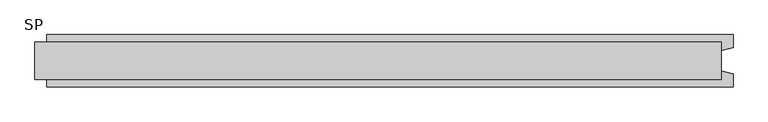
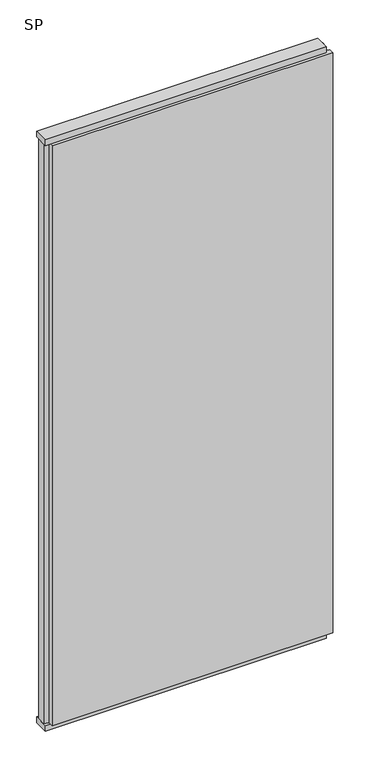
"""IFC4 building model written with IfcOpenShell, lengths in millimetres: plate geometry, SP."""

import ifcopenshell
import ifcopenshell.guid

model = None  # the IFC model being written
_history = None  # IfcOwnerHistory: only IFC2X3 demands one
_inside = {}  # id of a spatial element -> (the spatial element, [elements in it])
_under = {}  # id of a project, library or spatial element -> (it, [spatial elements below it])
_declared = {}  # id of a project -> (the project, [libraries it declares])
_typed = {}  # id of a type object -> (the type object, [elements of that type])
_made_of = {}  # id of a material, layer set ... -> (it, [elements and type objects made of it])


def new_model(schema):
    """Start an empty IFC model of exactly this schema.

    Asked for "IFC4X3", IfcOpenShell would pick the latest addendum, in which some entities
    have other attributes; the version numbers below select the first issue.
    IFC2X3 requires an IfcOwnerHistory on every rooted entity: one is made here for all.
    """
    global model, _history
    if schema == "IFC4X3":
        model = ifcopenshell.file(schema_version=(4, 3, 0, 0))
    else:
        model = ifcopenshell.file(schema=schema)
    _inside.clear()
    _under.clear()
    _declared.clear()
    _typed.clear()
    _made_of.clear()
    _history = None
    if model.schema == "IFC2X3":
        org = make("IfcOrganization", Name="unknown")
        user = make(
            "IfcPersonAndOrganization",
            ThePerson=make("IfcPerson", FamilyName="unknown"),
            TheOrganization=org,
        )
        app = make(
            "IfcApplication",
            ApplicationDeveloper=org,
            Version="unknown",
            ApplicationFullName="unknown",
            ApplicationIdentifier="unknown",
        )
        _history = make(
            "IfcOwnerHistory",
            OwningUser=user,
            OwningApplication=app,
            ChangeAction="ADDED",
            CreationDate=0,
        )
    return model


def make(cls, **values):
    """One entity of the class cls with the attributes given. An attribute that is None is left unset."""
    return model.create_entity(
        cls, **{name: value for name, value in values.items() if value is not None}
    )


def rooted(cls, **values):
    """An entity with a GlobalId (a new one), such as an element, a storey or a relation."""
    return make(cls, GlobalId=ifcopenshell.guid.new(), OwnerHistory=_history, **values)


def si_unit(unit_type, name, prefix=None):
    """IfcSIUnit, for example si_unit("LENGTHUNIT", "METRE", prefix="MILLI")."""
    return make("IfcSIUnit", UnitType=unit_type, Prefix=prefix, Name=name)


def assignment(units):
    """IfcUnitAssignment: the units of a project."""
    return None if units is None else make("IfcUnitAssignment", Units=units)


def point(xyz):
    """IfcCartesianPoint."""
    return None if xyz is None else make("IfcCartesianPoint", Coordinates=xyz)


def direction(xyz):
    """IfcDirection."""
    return None if xyz is None else make("IfcDirection", DirectionRatios=xyz)


def frame(location, z_axis=None, x_axis=None):
    """IfcAxis2Placement3D, a coordinate frame: its origin and axes. An axis left out is left unset."""
    return make(
        "IfcAxis2Placement3D",
        Location=point(location),
        Axis=direction(z_axis),
        RefDirection=direction(x_axis),
    )


def origin():
    """The frame at (0, 0, 0) with its axes left unset."""
    return frame((0.0, 0.0, 0.0))


def origin_with_axes():
    """The frame at (0, 0, 0) with the z axis (0, 0, 1) and the x axis (1, 0, 0) written out."""
    return frame((0.0, 0.0, 0.0), z_axis=(0.0, 0.0, 1.0), x_axis=(1.0, 0.0, 0.0))


def place(relative_to, where):
    """IfcLocalPlacement: puts the frame where relative to a parent placement (None: the world)."""
    return make(
        "IfcLocalPlacement", PlacementRelTo=relative_to, RelativePlacement=where
    )


def context(
    kind, dimensions, precision=None, world=None, true_north=None, identifier=None
):
    """IfcGeometricRepresentationContext, for example the 3D "Model" context."""
    return make(
        "IfcGeometricRepresentationContext",
        ContextIdentifier=identifier,
        ContextType=kind,
        CoordinateSpaceDimension=dimensions,
        Precision=precision,
        WorldCoordinateSystem=world,
        TrueNorth=true_north,
    )


def project(units=None, contexts=None):
    """IfcProject with its units and contexts."""
    return rooted(
        "IfcProject",
        Name="project",
        RepresentationContexts=contexts,
        UnitsInContext=assignment(units),
    )


def spatial(cls, under=None, at=None, **own):
    """A site, building, storey or space (cls), placed at a placement, below another one or the project."""
    s = rooted(cls, ObjectPlacement=at, **own)
    if under is not None:
        _under.setdefault(under.id(), (under, []))[1].append(s)
    return s


def polyline(points):
    """IfcPolyline through the points."""
    return make("IfcPolyline", Points=[point(p) for p in points])


def outline(outer, holes=None, kind="AREA"):
    """IfcArbitraryClosedProfileDef: a profile drawn as a closed curve; with holes, ...WithVoids."""
    if holes is None:
        return make("IfcArbitraryClosedProfileDef", ProfileType=kind, OuterCurve=outer)
    return make(
        "IfcArbitraryProfileDefWithVoids",
        ProfileType=kind,
        OuterCurve=outer,
        InnerCurves=holes,
    )


def extrude(swept, where, along, depth):
    """IfcExtrudedAreaSolid: the profile swept, set in the frame where, extruded along a direction by depth."""
    return make(
        "IfcExtrudedAreaSolid",
        SweptArea=swept,
        Position=where,
        ExtrudedDirection=direction(along),
        Depth=depth,
    )


def shape(context_of_items, identifier, shape_type, items):
    """IfcShapeRepresentation: the items that make up one representation, for example the "Body"."""
    return make(
        "IfcShapeRepresentation",
        ContextOfItems=context_of_items,
        RepresentationIdentifier=identifier,
        RepresentationType=shape_type,
        Items=items,
    )


def source(mapping_origin, context_of_items, identifier, shape_type, items):
    """IfcRepresentationMap: a shape defined once, which mapped items show again and again."""
    return make(
        "IfcRepresentationMap",
        MappingOrigin=mapping_origin,
        MappedRepresentation=shape(context_of_items, identifier, shape_type, items),
    )


def transform(
    local_origin,
    x_axis=None,
    y_axis=None,
    z_axis=None,
    scale=None,
    scale2=None,
    scale3=None,
    uniform=True,
):
    """IfcCartesianTransformationOperator3D, or its non-uniform kind. x_axis, y_axis, z_axis: its Axis1, 2, 3."""
    if uniform:
        return make(
            "IfcCartesianTransformationOperator3D",
            Axis1=direction(x_axis),
            Axis2=direction(y_axis),
            LocalOrigin=point(local_origin),
            Scale=scale,
            Axis3=direction(z_axis),
        )
    return make(
        "IfcCartesianTransformationOperator3DnonUniform",
        Axis1=direction(x_axis),
        Axis2=direction(y_axis),
        LocalOrigin=point(local_origin),
        Scale=scale,
        Axis3=direction(z_axis),
        Scale2=scale2,
        Scale3=scale3,
    )


def mapped(mapping_source, mapping_target):
    """IfcMappedItem: shows the shape of a source again, moved by a transform."""
    return make(
        "IfcMappedItem", MappingSource=mapping_source, MappingTarget=mapping_target
    )


def made_of(thing, what):
    """Note that an element or type object is made of a material, layer set ...; save() writes the relation."""
    if what is not None:
        _made_of.setdefault(what.id(), (what, []))[1].append(thing)
    return thing


def element(
    cls,
    number,
    at=None,
    inside=None,
    cuts=None,
    type_object=None,
    material=None,
    context=None,
    identifier="Body",
    shape_type=None,
    held_by="IfcProductDefinitionShape",
    body=None,
    shapes=None,
    **own,
):
    """One element of the class cls, such as IfcWall. Its Tag is "e" and its number.

    at: its placement. inside: the storey or other place that contains it. cuts: it is an
    opening in that element (IfcRelVoidsElement). A single representation is given by context,
    identifier, shape_type and body (its items); several are given by shapes. held_by: the class
    of the entity that holds the representations. save() writes the other relations.
    """
    e = rooted(cls, Tag="e%d" % number, ObjectPlacement=at, **own)
    if body is not None:
        shapes = [shape(context, identifier, shape_type, body)]
    if shapes is not None:
        e.Representation = make(held_by, Representations=shapes)
    if inside is not None:
        _inside.setdefault(inside.id(), (inside, []))[1].append(e)
    if cuts is not None:
        rooted(
            "IfcRelVoidsElement", RelatingBuildingElement=cuts, RelatedOpeningElement=e
        )
    if type_object is not None:
        _typed.setdefault(type_object.id(), (type_object, []))[1].append(e)
    return made_of(e, material)


def aggregate(whole, parts):
    """IfcRelAggregates: a whole, such as a stair, and the parts it consists of."""
    return rooted("IfcRelAggregates", RelatingObject=whole, RelatedObjects=parts)


def save(model, path):
    """Write the relations noted so far, then the file.

    IfcRelAggregates (storeys below a building ...), IfcRelContainedInSpatialStructure (elements
    in a storey), IfcRelDefinesByType, IfcRelAssociatesMaterial and IfcRelDeclares: one each for
    every whole, place, type object, material and project.
    """
    for whole, parts in _under.values():
        aggregate(whole, parts)
    for where, things in _inside.values():
        rooted(
            "IfcRelContainedInSpatialStructure",
            RelatedElements=things,
            RelatingStructure=where,
        )
    for kind, things in _typed.values():
        rooted("IfcRelDefinesByType", RelatedObjects=things, RelatingType=kind)
    for what, things in _made_of.values():
        rooted("IfcRelAssociatesMaterial", RelatedObjects=things, RelatingMaterial=what)
    for by, libraries in _declared.values():
        rooted("IfcRelDeclares", RelatingContext=by, RelatedDefinitions=libraries)
    model.write(path)


def sp_d46faae5(model_context):
    return source(origin(), model_context, "Body", "SweptSolid", [
        extrude(outline(polyline([(590.0, 32.0), (590.0, -32.0), (-590.0, -32.0), (-590.0, 32.0), (590.0, 32.0)])), origin_with_axes(), (0.0, 0.0, 1.0), 25.0),
        extrude(outline(polyline([(590.0, 32.0), (590.0, -32.0), (-590.0, -32.0), (-590.0, 32.0), (590.0, 32.0)])), frame((0.0, 0.0, 2602.0), z_axis=(0.0, 0.0, 1.0), x_axis=(1.0, 0.0, 0.0)), (0.0, 0.0, 1.0), 25.0),
        extrude(outline(polyline([(610.0, 45.0), (610.0, 22.9993165), (590.0, 17.6401049), (590.0, -17.6401049), (610.0, -22.9993165), (610.0, -45.0), (-570.0, -45.0), (-570.0, -22.9993165), (-590.0, -17.6401049), (-590.0, 17.6401049), (-570.0, 22.9993165), (-570.0, 45.0), (610.0, 45.0)])), frame((0.0, 0.0, 25.0), z_axis=(0.0, 0.0, 1.0), x_axis=(1.0, 0.0, 0.0)), (0.0, 0.0, 1.0), 2577.0),
    ])


if __name__ == "__main__":
    model = new_model("IFC4")
    model_context = context("Model", 3, world=origin())
    ifc_project = project(units=[si_unit("LENGTHUNIT", "METRE", prefix="MILLI")], contexts=[model_context])
    site = spatial("IfcSite", under=ifc_project)
    building = spatial("IfcBuilding", under=site)
    placement = place(None, origin())
    sp_shape = sp_d46faae5(model_context)
    element("IfcPlate", 1, ObjectType="SP", at=placement, inside=building, context=model_context, shape_type="MappedRepresentation", body=[
        mapped(sp_shape, transform((0.0, 0.0, 0.0), x_axis=(1.0, 0.0, 0.0), y_axis=(0.0, 1.0, 0.0), z_axis=(0.0, 0.0, 1.0))),
    ])
    save(model, "model.ifc")
